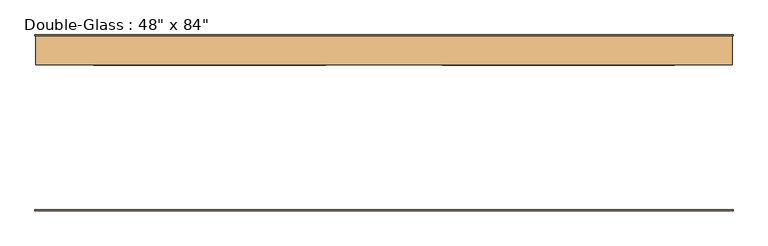
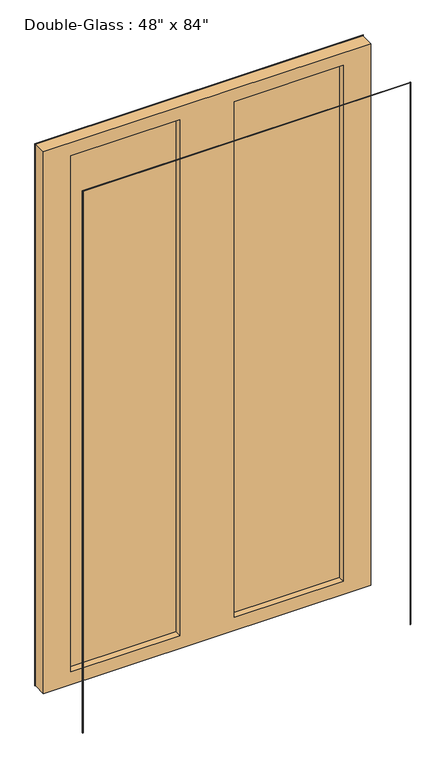
"""IFC4 building model written with IfcOpenShell, lengths in millimetres: door geometry."""

import ifcopenshell
import ifcopenshell.guid

model = None  # the IFC model being written
_history = None  # IfcOwnerHistory: only IFC2X3 demands one
_inside = {}  # id of a spatial element -> (the spatial element, [elements in it])
_under = {}  # id of a project, library or spatial element -> (it, [spatial elements below it])
_declared = {}  # id of a project -> (the project, [libraries it declares])
_typed = {}  # id of a type object -> (the type object, [elements of that type])
_made_of = {}  # id of a material, layer set ... -> (it, [elements and type objects made of it])


def new_model(schema):
    """Start an empty IFC model of exactly this schema.

    Asked for "IFC4X3", IfcOpenShell would pick the latest addendum, in which some entities
    have other attributes; the version numbers below select the first issue.
    IFC2X3 requires an IfcOwnerHistory on every rooted entity: one is made here for all.
    """
    global model, _history
    if schema == "IFC4X3":
        model = ifcopenshell.file(schema_version=(4, 3, 0, 0))
    else:
        model = ifcopenshell.file(schema=schema)
    _inside.clear()
    _under.clear()
    _declared.clear()
    _typed.clear()
    _made_of.clear()
    _history = None
    if model.schema == "IFC2X3":
        org = make("IfcOrganization", Name="unknown")
        user = make(
            "IfcPersonAndOrganization",
            ThePerson=make("IfcPerson", FamilyName="unknown"),
            TheOrganization=org,
        )
        app = make(
            "IfcApplication",
            ApplicationDeveloper=org,
            Version="unknown",
            ApplicationFullName="unknown",
            ApplicationIdentifier="unknown",
        )
        _history = make(
            "IfcOwnerHistory",
            OwningUser=user,
            OwningApplication=app,
            ChangeAction="ADDED",
            CreationDate=0,
        )
    return model


def make(cls, **values):
    """One entity of the class cls with the attributes given. An attribute that is None is left unset."""
    return model.create_entity(
        cls, **{name: value for name, value in values.items() if value is not None}
    )


def rooted(cls, **values):
    """An entity with a GlobalId (a new one), such as an element, a storey or a relation."""
    return make(cls, GlobalId=ifcopenshell.guid.new(), OwnerHistory=_history, **values)


def si_unit(unit_type, name, prefix=None):
    """IfcSIUnit, for example si_unit("LENGTHUNIT", "METRE", prefix="MILLI")."""
    return make("IfcSIUnit", UnitType=unit_type, Prefix=prefix, Name=name)


def assignment(units):
    """IfcUnitAssignment: the units of a project."""
    return None if units is None else make("IfcUnitAssignment", Units=units)


def point(xyz):
    """IfcCartesianPoint."""
    return None if xyz is None else make("IfcCartesianPoint", Coordinates=xyz)


def direction(xyz):
    """IfcDirection."""
    return None if xyz is None else make("IfcDirection", DirectionRatios=xyz)


def frame(location, z_axis=None, x_axis=None):
    """IfcAxis2Placement3D, a coordinate frame: its origin and axes. An axis left out is left unset."""
    return make(
        "IfcAxis2Placement3D",
        Location=point(location),
        Axis=direction(z_axis),
        RefDirection=direction(x_axis),
    )


def origin():
    """The frame at (0, 0, 0) with its axes left unset."""
    return frame((0.0, 0.0, 0.0))


def place(relative_to, where):
    """IfcLocalPlacement: puts the frame where relative to a parent placement (None: the world)."""
    return make(
        "IfcLocalPlacement", PlacementRelTo=relative_to, RelativePlacement=where
    )


def context(
    kind, dimensions, precision=None, world=None, true_north=None, identifier=None
):
    """IfcGeometricRepresentationContext, for example the 3D "Model" context."""
    return make(
        "IfcGeometricRepresentationContext",
        ContextIdentifier=identifier,
        ContextType=kind,
        CoordinateSpaceDimension=dimensions,
        Precision=precision,
        WorldCoordinateSystem=world,
        TrueNorth=true_north,
    )


def project(units=None, contexts=None):
    """IfcProject with its units and contexts."""
    return rooted(
        "IfcProject",
        Name="project",
        RepresentationContexts=contexts,
        UnitsInContext=assignment(units),
    )


def spatial(cls, under=None, at=None, **own):
    """A site, building, storey or space (cls), placed at a placement, below another one or the project."""
    s = rooted(cls, ObjectPlacement=at, **own)
    if under is not None:
        _under.setdefault(under.id(), (under, []))[1].append(s)
    return s


def polyline(points):
    """IfcPolyline through the points."""
    return make("IfcPolyline", Points=[point(p) for p in points])


def outline(outer, holes=None, kind="AREA"):
    """IfcArbitraryClosedProfileDef: a profile drawn as a closed curve; with holes, ...WithVoids."""
    if holes is None:
        return make("IfcArbitraryClosedProfileDef", ProfileType=kind, OuterCurve=outer)
    return make(
        "IfcArbitraryProfileDefWithVoids",
        ProfileType=kind,
        OuterCurve=outer,
        InnerCurves=holes,
    )


def extrude(swept, where, along, depth):
    """IfcExtrudedAreaSolid: the profile swept, set in the frame where, extruded along a direction by depth."""
    return make(
        "IfcExtrudedAreaSolid",
        SweptArea=swept,
        Position=where,
        ExtrudedDirection=direction(along),
        Depth=depth,
    )


def shape(context_of_items, identifier, shape_type, items):
    """IfcShapeRepresentation: the items that make up one representation, for example the "Body"."""
    return make(
        "IfcShapeRepresentation",
        ContextOfItems=context_of_items,
        RepresentationIdentifier=identifier,
        RepresentationType=shape_type,
        Items=items,
    )


def source(mapping_origin, context_of_items, identifier, shape_type, items):
    """IfcRepresentationMap: a shape defined once, which mapped items show again and again."""
    return make(
        "IfcRepresentationMap",
        MappingOrigin=mapping_origin,
        MappedRepresentation=shape(context_of_items, identifier, shape_type, items),
    )


def transform(
    local_origin,
    x_axis=None,
    y_axis=None,
    z_axis=None,
    scale=None,
    scale2=None,
    scale3=None,
    uniform=True,
):
    """IfcCartesianTransformationOperator3D, or its non-uniform kind. x_axis, y_axis, z_axis: its Axis1, 2, 3."""
    if uniform:
        return make(
            "IfcCartesianTransformationOperator3D",
            Axis1=direction(x_axis),
            Axis2=direction(y_axis),
            LocalOrigin=point(local_origin),
            Scale=scale,
            Axis3=direction(z_axis),
        )
    return make(
        "IfcCartesianTransformationOperator3DnonUniform",
        Axis1=direction(x_axis),
        Axis2=direction(y_axis),
        LocalOrigin=point(local_origin),
        Scale=scale,
        Axis3=direction(z_axis),
        Scale2=scale2,
        Scale3=scale3,
    )


def mapped(mapping_source, mapping_target):
    """IfcMappedItem: shows the shape of a source again, moved by a transform."""
    return make(
        "IfcMappedItem", MappingSource=mapping_source, MappingTarget=mapping_target
    )


def made_of(thing, what):
    """Note that an element or type object is made of a material, layer set ...; save() writes the relation."""
    if what is not None:
        _made_of.setdefault(what.id(), (what, []))[1].append(thing)
    return thing


def element(
    cls,
    number,
    at=None,
    inside=None,
    cuts=None,
    type_object=None,
    material=None,
    context=None,
    identifier="Body",
    shape_type=None,
    held_by="IfcProductDefinitionShape",
    body=None,
    shapes=None,
    **own,
):
    """One element of the class cls, such as IfcWall. Its Tag is "e" and its number.

    at: its placement. inside: the storey or other place that contains it. cuts: it is an
    opening in that element (IfcRelVoidsElement). A single representation is given by context,
    identifier, shape_type and body (its items); several are given by shapes. held_by: the class
    of the entity that holds the representations. save() writes the other relations.
    """
    e = rooted(cls, Tag="e%d" % number, ObjectPlacement=at, **own)
    if body is not None:
        shapes = [shape(context, identifier, shape_type, body)]
    if shapes is not None:
        e.Representation = make(held_by, Representations=shapes)
    if inside is not None:
        _inside.setdefault(inside.id(), (inside, []))[1].append(e)
    if cuts is not None:
        rooted(
            "IfcRelVoidsElement", RelatingBuildingElement=cuts, RelatedOpeningElement=e
        )
    if type_object is not None:
        _typed.setdefault(type_object.id(), (type_object, []))[1].append(e)
    return made_of(e, material)


def aggregate(whole, parts):
    """IfcRelAggregates: a whole, such as a stair, and the parts it consists of."""
    return rooted("IfcRelAggregates", RelatingObject=whole, RelatedObjects=parts)


def save(model, path):
    """Write the relations noted so far, then the file.

    IfcRelAggregates (storeys below a building ...), IfcRelContainedInSpatialStructure (elements
    in a storey), IfcRelDefinesByType, IfcRelAssociatesMaterial and IfcRelDeclares: one each for
    every whole, place, type object, material and project.
    """
    for whole, parts in _under.values():
        aggregate(whole, parts)
    for where, things in _inside.values():
        rooted(
            "IfcRelContainedInSpatialStructure",
            RelatedElements=things,
            RelatingStructure=where,
        )
    for kind, things in _typed.values():
        rooted("IfcRelDefinesByType", RelatedObjects=things, RelatingType=kind)
    for what, things in _made_of.values():
        rooted("IfcRelAssociatesMaterial", RelatedObjects=things, RelatingMaterial=what)
    for by, libraries in _declared.values():
        rooted("IfcRelDeclares", RelatingContext=by, RelatedDefinitions=libraries)
    model.write(path)


def door_5f314481(model_context):
    return source(origin(), model_context, "Body", "SweptSolid", [
        extrude(outline(polyline([(0.0, 611.1875), (2135.1875, 611.1875), (2135.1875, -611.1875), (0.0, -611.1875), (0.0, -609.6), (2133.6, -609.6), (2133.6, 609.6), (0.0, 609.6), (0.0, 611.1875)])), frame((0.0, -151.60625, 0.0), z_axis=(0.0, 1.0, 0.0), x_axis=(0.0, 0.0, 1.0)), (0.0, 0.0, 1.0), 1.5875),
        extrude(outline(polyline([(2133.6, 609.6), (0.0, 609.6), (0.0, 611.1875), (2135.1875, 611.1875), (2135.1875, -611.1875), (0.0, -611.1875), (0.0, -609.6), (2133.6, -609.6), (2133.6, 609.6)])), frame((0.0, 154.78125, 0.0), z_axis=(0.0, 1.0, 0.0), x_axis=(0.0, 0.0, 1.0)), (0.0, 0.0, 1.0), 1.5875),
        extrude(outline(polyline([(508.0, 129.38125), (101.6, 129.38125), (101.6, 136.525), (508.0, 136.525), (508.0, 129.38125)])), frame((0.0, 0.0, 50.8), z_axis=(0.0, 0.0, 1.0), x_axis=(1.0, 0.0, 0.0)), (0.0, 0.0, 1.0), 2032.0),
        extrude(outline(polyline([(-101.6, 129.38125), (-508.0, 129.38125), (-508.0, 136.525), (-101.6, 136.525), (-101.6, 129.38125)])), frame((0.0, 0.0, 50.8), z_axis=(0.0, 0.0, 1.0), x_axis=(1.0, 0.0, 0.0)), (0.0, 0.0, 1.0), 2032.0),
        extrude(outline(polyline([(2133.6, 609.6), (2133.6, -609.6), (0.0, -609.6), (0.0, 609.6), (2133.6, 609.6)]), holes=[polyline([(2082.8, -101.6), (50.8, -101.6), (50.8, -508.0), (2082.8, -508.0), (2082.8, -101.6)]), polyline([(2082.8, 508.0), (50.8, 508.0), (50.8, 101.6), (2082.8, 101.6), (2082.8, 508.0)])]), frame((0.0, 103.98125, 0.0), z_axis=(0.0, 1.0, 0.0), x_axis=(0.0, 0.0, 1.0)), (0.0, 0.0, 1.0), 50.8),
    ])


if __name__ == "__main__":
    model = new_model("IFC4")
    model_context = context("Model", 3, world=origin())
    ifc_project = project(units=[si_unit("LENGTHUNIT", "METRE", prefix="MILLI")], contexts=[model_context])
    site = spatial("IfcSite", under=ifc_project)
    building = spatial("IfcBuilding", under=site)
    placement = place(None, origin())
    door_shape = door_5f314481(model_context)
    element("IfcDoor", 1, ObjectType="Double-Glass : 48\" x 84\"", at=placement, inside=building, context=model_context, shape_type="MappedRepresentation", body=[
        mapped(door_shape, transform((0.0, 0.0, 0.0), x_axis=(1.0, 0.0, 0.0), y_axis=(0.0, 1.0, 0.0), z_axis=(0.0, 0.0, 1.0))),
    ])
    save(model, "model.ifc")
